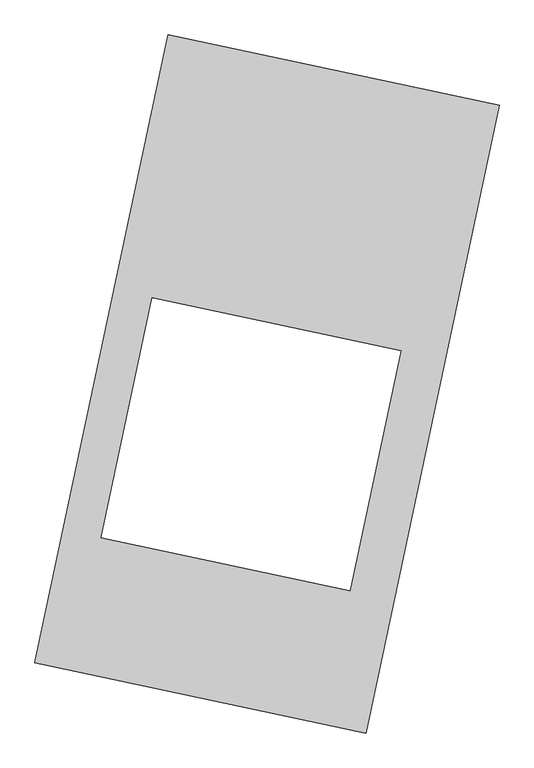
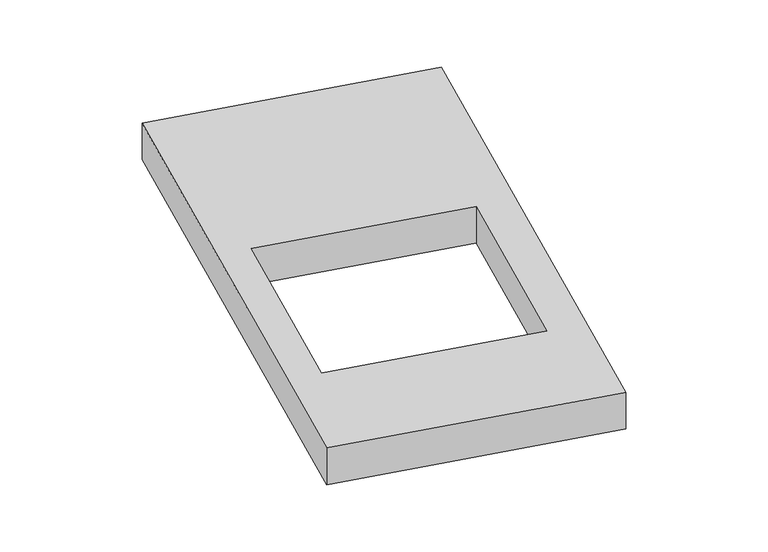
"""IFC4 building model written with IfcOpenShell, lengths in millimetres: proxy geometry."""

from ifc_helpers import new_model, si_unit, origin, origin_with_axes, place, context, project, spatial, polyline, outline, extrude, source, transform, mapped, element, save


def generic_models_fec7d7b1(model_context):
    return source(origin(), model_context, "Body", "SweptSolid", [
        extrude(outline(polyline([(-617.3692021, 2175.5580432), (1447.7508745, 1737.3010494), (617.3692021, -2175.5580432), (-1447.7508745, -1737.3010494), (-617.3692021, 2175.5580432)]), holes=[polyline([(835.8904643, 207.9827073), (-717.3143591, 537.6017373), (-1034.7949816, -958.4054381), (518.4098418, -1288.0244681), (835.8904643, 207.9827073)])]), origin_with_axes(), (0.0, 0.0, 1.0), 300.0),
    ])


if __name__ == "__main__":
    model = new_model("IFC4")
    model_context = context("Model", 3, world=origin())
    ifc_project = project(units=[si_unit("LENGTHUNIT", "METRE", prefix="MILLI")], contexts=[model_context])
    site = spatial("IfcSite", under=ifc_project)
    building = spatial("IfcBuilding", under=site)
    placement = place(None, origin())
    generic_models_shape = generic_models_fec7d7b1(model_context)
    element("IfcBuildingElementProxy", 1, Name="Generic Models", at=placement, inside=building, context=model_context, shape_type="MappedRepresentation", body=[
        mapped(generic_models_shape, transform((0.0, 0.0, 0.0), x_axis=(1.0, 0.0, 0.0), y_axis=(0.0, 1.0, 0.0), z_axis=(0.0, 0.0, 1.0))),
    ])
    save(model, "model.ifc")
